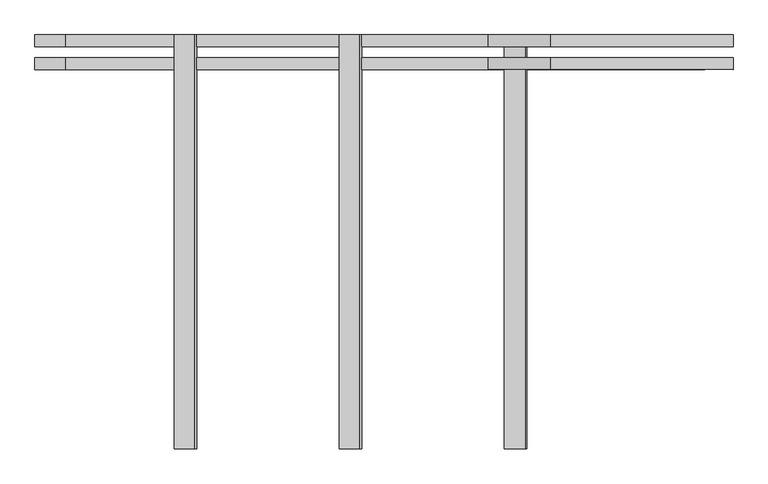
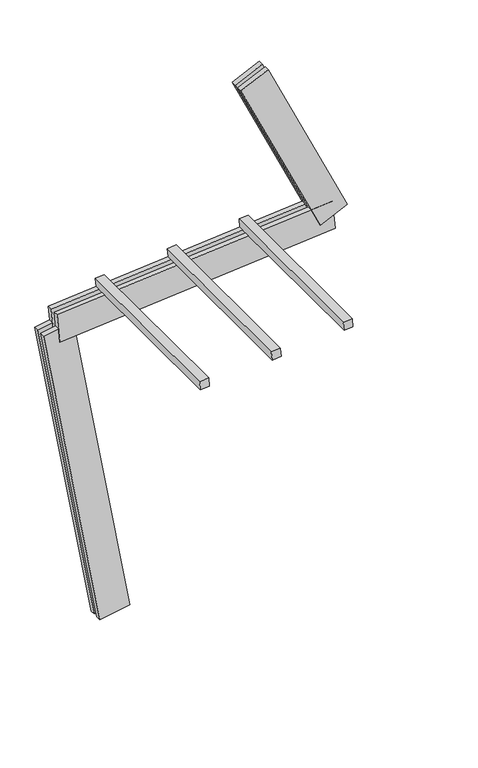
"""IFC4 building model written with IfcOpenShell, lengths in millimetres: proxy geometry."""

from ifc_helpers import new_model, si_unit, frame, origin, place, context, project, spatial, polyline, outline, extrude, source, transform, mapped, element, save


def generic_models_bf54ea16(model_context):
    return source(origin(), model_context, "Body", "SweptSolid", [
        extrude(outline(polyline([(1500.0, 0.0), (1500.0, -74.9999999), (0.0, -74.9999999), (0.0, 0.0), (1500.0, 0.0)])), frame((-6.552066, 62.5, 2824.9042482), z_axis=(-0.08715574274765805, 0.0, 0.9961946980917455), x_axis=(0.0, -1.0, 0.0)), (0.0, 0.0, 1.0), 75.0),
        extrude(outline(polyline([(1500.0, 0.0), (1500.0, -75.0), (0.0, -75.0), (0.0, 0.0), (1500.0, 0.0)])), frame((591.1647529, 62.5, 2877.1976938), z_axis=(-0.08715574274765805, 0.0, 0.9961946980917455), x_axis=(0.0, -1.0, 0.0)), (0.0, 0.0, 1.0), 75.0),
        extrude(outline(polyline([(1500.0, 0.0), (1500.0, -75.0), (0.0, -75.0), (0.0, 0.0), (1500.0, 0.0)])), frame((1188.8815718, 62.5, 2929.4911395), z_axis=(-0.08715574274765805, 0.0, 0.9961946980917455), x_axis=(0.0, -1.0, 0.0)), (0.0, 0.0, 1.0), 75.0),
        extrude(outline(polyline([(125.0, 0.0), (125.0, -250.0000001), (82.5, -250.0000001), (82.5, 0.0), (125.0, 0.0)])), frame((1709.1092525, -62.5, 2806.6118587), z_axis=(-0.4226182617406976, 0.0, 0.9063077870366508), x_axis=(0.0, 1.0, 0.0)), (0.0, 0.0, 1.0), 1560.0),
        extrude(outline(polyline([(0.0, -250.0000001), (0.0, 0.0), (42.5, 0.0), (42.5, -250.0000001), (0.0, -250.0000001)])), frame((1709.1092525, -62.5, 2806.6118587), z_axis=(-0.4226182617406976, 0.0, 0.9063077870366508), x_axis=(0.0, 1.0, 0.0)), (0.0, 0.0, 1.0), 1560.0),
        extrude(outline(polyline([(2300.0000001, -125.0), (0.0, -125.0), (0.0, -82.5), (2300.0000001, -82.5), (2300.0000001, -125.0)])), frame((1833.2921938, -62.5, 2734.9148042), z_axis=(-0.08715574274765805, 0.0, 0.9961946980917455), x_axis=(-0.9961946980917455, 0.0, -0.08715574274765805)), (0.0, 0.0, 1.0), 250.0),
        extrude(outline(polyline([(0.0, 0.0), (2300.0000001, 0.0), (2300.0000001, -42.5), (0.0, -42.5), (0.0, 0.0)])), frame((1833.2921938, -62.5, 2734.9148042), z_axis=(-0.08715574274765805, 0.0, 0.9961946980917455), x_axis=(-0.9961946980917455, 0.0, -0.08715574274765805)), (0.0, 0.0, 1.0), 250.0),
        extrude(outline(polyline([(-125.0, -249.9999999), (-125.0, 0.0), (-82.5, 0.0), (-82.5, -249.9999999), (-125.0, -249.9999999)])), frame((123.1009691, -62.5, 21.7060222), z_axis=(-0.17364817766693158, 0.0, 0.9848077530122079), x_axis=(0.0, -1.0, 0.0)), (0.0, 0.0, 1.0), 2700.0),
        extrude(outline(polyline([(0.0, 0.0), (0.0, -249.9999999), (-42.5, -249.9999999), (-42.5, 0.0), (0.0, 0.0)])), frame((123.1009691, -62.5, 21.7060222), z_axis=(-0.17364817766693158, 0.0, 0.9848077530122079), x_axis=(0.0, -1.0, 0.0)), (0.0, 0.0, 1.0), 2700.0),
    ])


if __name__ == "__main__":
    model = new_model("IFC4")
    model_context = context("Model", 3, world=origin())
    ifc_project = project(units=[si_unit("LENGTHUNIT", "METRE", prefix="MILLI")], contexts=[model_context])
    site = spatial("IfcSite", under=ifc_project)
    building = spatial("IfcBuilding", under=site)
    placement = place(None, origin())
    generic_models_shape = generic_models_bf54ea16(model_context)
    element("IfcBuildingElementProxy", 1, Name="Generic Models", at=placement, inside=building, context=model_context, shape_type="MappedRepresentation", body=[
        mapped(generic_models_shape, transform((0.0, 0.0, 0.0), x_axis=(1.0, 0.0, 0.0), y_axis=(0.0, 1.0, 0.0), z_axis=(0.0, 0.0, 1.0))),
    ])
    save(model, "model.ifc")
